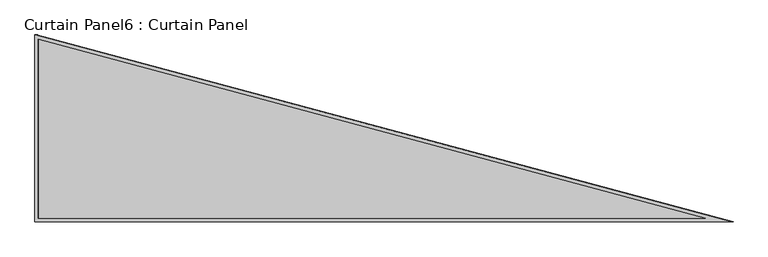
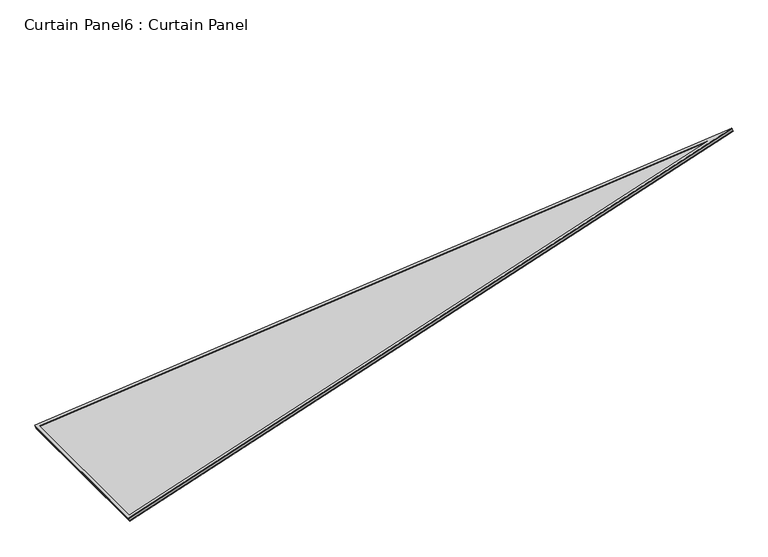
"""IFC4 building model written with IfcOpenShell, lengths in millimetres: plate geometry, Curtain Panel6 : Curtain Panel."""

from ifc_helpers import new_model, si_unit, frame, origin, place, context, project, spatial, polyline, outline, extrude, source, transform, mapped, element, save


def curtain_panel6_curtain_panel_8abf3b3a(model_context):
    return source(origin(), model_context, "Body", "SweptSolid", [
        extrude(outline(polyline([(882.6749851, -10.3127978), (-13.2623703, -10.3127978), (882.6749851, 3514.137864), (882.6749851, -10.3127978)]), holes=[polyline([(872.3621872, 0.0), (872.3621872, 3431.7103418), (0.0, 0.0), (872.3621872, 0.0)])]), frame((5646.7831121, 3091.8836569, 885.2375817), z_axis=(-0.3161458239737826, 0.0, 0.9487106081329217), x_axis=(0.0, -1.0, 0.0)), (0.0, 0.0, 1.0), 4.7896951),
        extrude(outline(polyline([(874.5088161, -16.6627979), (-21.4285393, -16.6627979), (874.5088161, 3507.7878638), (874.5088161, -16.6627979)]), holes=[polyline([(857.8460182, 0.0), (857.8460182, 3374.6064366), (0.0, 0.0), (857.8460182, 0.0)])]), frame((5647.2374195, 3083.7174879, 903.959935), z_axis=(-0.3161458239738078, 0.0, 0.9487106081329133), x_axis=(0.0, -1.0, 0.0)), (0.0, 0.0, 1.0), 4.8402876),
        extrude(outline(polyline([(12.7, 0.0), (908.6373554, 0.0), (12.7, -3524.4506617), (12.7, 0.0)])), frame((5635.4850093, 2196.5086718, 886.5212683), z_axis=(-0.3161458239738053, 0.0, 0.9487106081329142), x_axis=(0.0, 1.0, 0.0)), (0.0, 0.0, 1.0), 12.8287727),
    ])


if __name__ == "__main__":
    model = new_model("IFC4")
    model_context = context("Model", 3, world=origin())
    ifc_project = project(units=[si_unit("LENGTHUNIT", "METRE", prefix="MILLI")], contexts=[model_context])
    site = spatial("IfcSite", under=ifc_project)
    building = spatial("IfcBuilding", under=site)
    placement = place(None, origin())
    curtain_panel6_curtain_panel_shape = curtain_panel6_curtain_panel_8abf3b3a(model_context)
    element("IfcPlate", 1, ObjectType="Curtain Panel6 : Curtain Panel", at=placement, inside=building, context=model_context, shape_type="MappedRepresentation", body=[
        mapped(curtain_panel6_curtain_panel_shape, transform((0.0, 0.0, 0.0), x_axis=(1.0, 0.0, 0.0), y_axis=(0.0, 1.0, 0.0), z_axis=(0.0, 0.0, 1.0))),
    ])
    save(model, "model.ifc")
